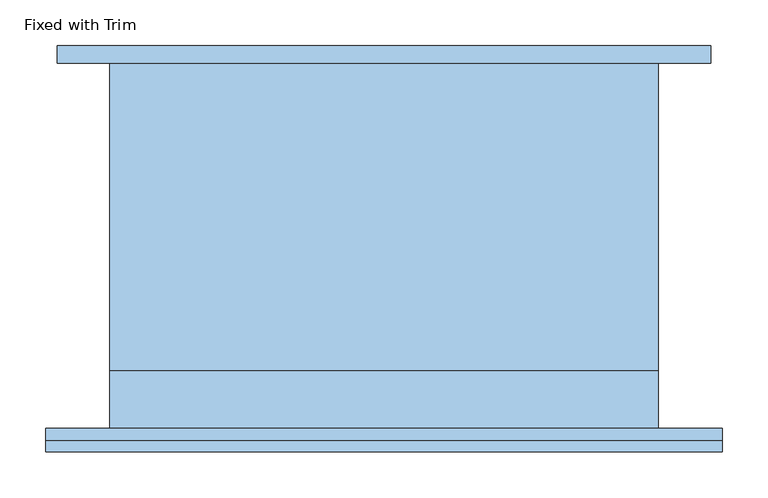
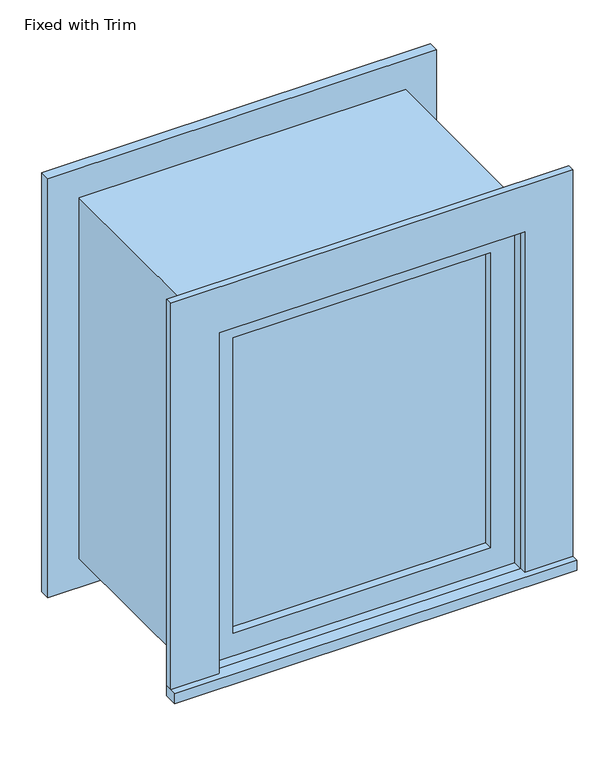
"""IFC4 building model written with IfcOpenShell, lengths in millimetres: window geometry, Fixed with Trim."""

from ifc_helpers import new_model, si_unit, frame, origin, place, context, project, spatial, polyline, outline, extrude, source, transform, mapped, element, save


def fixed_with_trim_30f80249(model_context):
    return source(origin(), model_context, "Body", "SweptSolid", [
        extrude(outline(polyline([(-407.95, -225.4), (-407.95, -200.0), (331.75, -200.0), (331.75, -225.4), (-407.95, -225.4)])), frame((0.0, 0.0, 914.4), z_axis=(0.0, 0.0, 1.0), x_axis=(1.0, 0.0, 0.0)), (0.0, 0.0, 1.0), 19.05),
        extrude(outline(polyline([(1595.35, -319.05), (1595.35, 242.85), (933.45, 242.85), (933.45, 331.75), (1684.25, 331.75), (1684.25, -407.95), (933.45, -407.95), (933.45, -319.05), (1595.35, -319.05)])), frame((0.0, -212.7, 0.0), z_axis=(0.0, 1.0, 0.0), x_axis=(0.0, 0.0, 1.0)), (0.0, 0.0, 1.0), 12.7),
        extrude(outline(polyline([(1671.55, 319.05), (1671.55, -395.25), (857.25, -395.25), (857.25, 319.05), (1671.55, 319.05)]), holes=[polyline([(1582.65, 230.15), (946.15, 230.15), (946.15, -306.35), (1582.65, -306.35), (1582.65, 230.15)])]), frame((0.0, 200.0, 0.0), z_axis=(0.0, 1.0, 0.0), x_axis=(0.0, 0.0, 1.0)), (0.0, 0.0, 1.0), 19.05),
        extrude(outline(polyline([(198.4, -152.375), (198.4, -165.075), (-274.6, -165.075), (-274.6, -152.375), (198.4, -152.375)])), frame((0.0, 0.0, 977.9), z_axis=(0.0, 0.0, 1.0), x_axis=(1.0, 0.0, 0.0)), (0.0, 0.0, 1.0), 573.0),
        extrude(outline(polyline([(1595.35, -319.05), (933.45, -319.05), (933.45, 242.85), (1595.35, 242.85), (1595.35, -319.05)]), holes=[polyline([(1550.9, -274.6), (1550.9, 198.4), (977.9, 198.4), (977.9, -274.6), (1550.9, -274.6)])]), frame((0.0, -180.95, 0.0), z_axis=(0.0, 1.0, 0.0), x_axis=(0.0, 0.0, 1.0)), (0.0, 0.0, 1.0), 44.45),
        extrude(outline(polyline([(1614.4, -338.1), (914.4, -338.1), (914.4, 261.9), (1614.4, 261.9), (1614.4, -338.1)]), holes=[polyline([(1582.65, -306.35), (1582.65, 230.15), (946.15, 230.15), (946.15, -306.35), (1582.65, -306.35)])]), frame((0.0, -136.5, 0.0), z_axis=(0.0, 1.0, 0.0), x_axis=(0.0, 0.0, 1.0)), (0.0, 0.0, 1.0), 336.5),
        extrude(outline(polyline([(1614.4, 261.9), (1614.4, -338.1), (914.4, -338.1), (914.4, 261.9), (1614.4, 261.9)]), holes=[polyline([(1595.35, 242.85), (933.45, 242.85), (933.45, -319.05), (1595.35, -319.05), (1595.35, 242.85)])]), frame((0.0, -200.0, 0.0), z_axis=(0.0, 1.0, 0.0), x_axis=(0.0, 0.0, 1.0)), (0.0, 0.0, 1.0), 63.5),
    ])


if __name__ == "__main__":
    model = new_model("IFC4")
    model_context = context("Model", 3, world=origin())
    ifc_project = project(units=[si_unit("LENGTHUNIT", "METRE", prefix="MILLI")], contexts=[model_context])
    site = spatial("IfcSite", under=ifc_project)
    building = spatial("IfcBuilding", under=site)
    placement = place(None, origin())
    fixed_with_trim_shape = fixed_with_trim_30f80249(model_context)
    element("IfcWindow", 1, ObjectType="Fixed with Trim", at=placement, inside=building, context=model_context, shape_type="MappedRepresentation", body=[
        mapped(fixed_with_trim_shape, transform((0.0, 0.0, 0.0), x_axis=(1.0, 0.0, 0.0), y_axis=(0.0, 1.0, 0.0), z_axis=(0.0, 0.0, 1.0))),
    ])
    save(model, "model.ifc")
